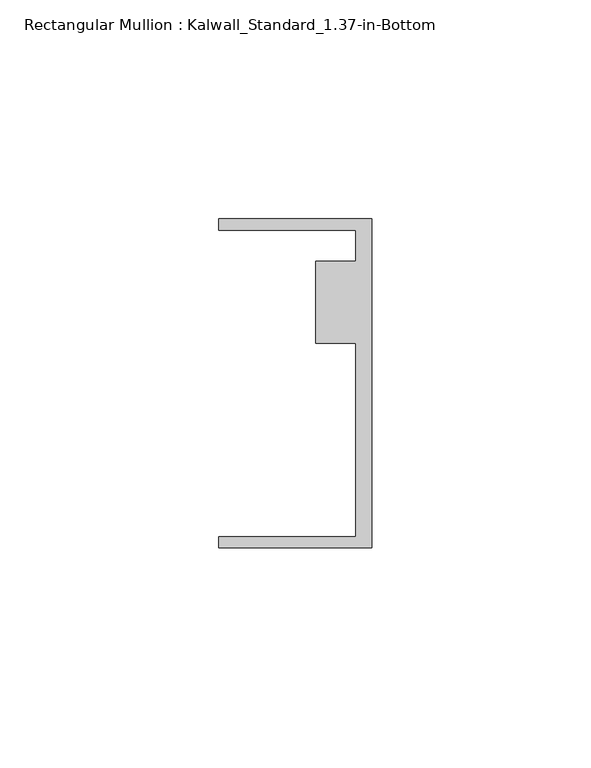
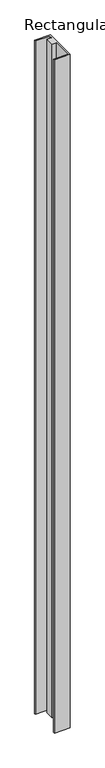
"""IFC4 building model written with IfcOpenShell, lengths in millimetres: member geometry, Rectangular Mullion : Kalwall_Standard_1.37-in-Bottom."""

from ifc_helpers import new_model, si_unit, frame, origin, place, context, project, spatial, polyline, outline, extrude, source, transform, mapped, element, save


def rectangular_mullion_kalwall_standard_1_37_in_bottom_d86eb56b(model_context):
    return source(origin(), model_context, "Body", "SweptSolid", [
        extrude(outline(polyline([(0.0, 37.5776386), (0.0, -37.5023614), (-34.925, -37.5023614), (-34.925, -34.9623614), (-3.7084, -34.9623614), (-3.7084, 9.1879886), (-12.8272539, 9.1879886), (-12.8272539, 27.8888568), (-3.7084, 27.8888568), (-3.7084, 35.0376386), (-34.925, 35.0376386), (-34.925, 37.5776386), (0.0, 37.5776386)])), frame((0.0, 0.0, -1567.0818003), z_axis=(0.0, 0.0, 1.0), x_axis=(1.0, 0.0, 0.0)), (0.0, 0.0, 1.0), 1567.0818003),
    ])


if __name__ == "__main__":
    model = new_model("IFC4")
    model_context = context("Model", 3, world=origin())
    ifc_project = project(units=[si_unit("LENGTHUNIT", "METRE", prefix="MILLI")], contexts=[model_context])
    site = spatial("IfcSite", under=ifc_project)
    building = spatial("IfcBuilding", under=site)
    placement = place(None, origin())
    rectangular_mullion_kalwall_standard_1_37_in_bottom_shape = rectangular_mullion_kalwall_standard_1_37_in_bottom_d86eb56b(model_context)
    element("IfcMember", 1, ObjectType="Rectangular Mullion : Kalwall_Standard_1.37-in-Bottom", at=placement, inside=building, context=model_context, shape_type="MappedRepresentation", body=[
        mapped(rectangular_mullion_kalwall_standard_1_37_in_bottom_shape, transform((0.0, 0.0, 0.0), x_axis=(1.0, 0.0, 0.0), y_axis=(0.0, 1.0, 0.0), z_axis=(0.0, 0.0, 1.0))),
    ])
    save(model, "model.ifc")
